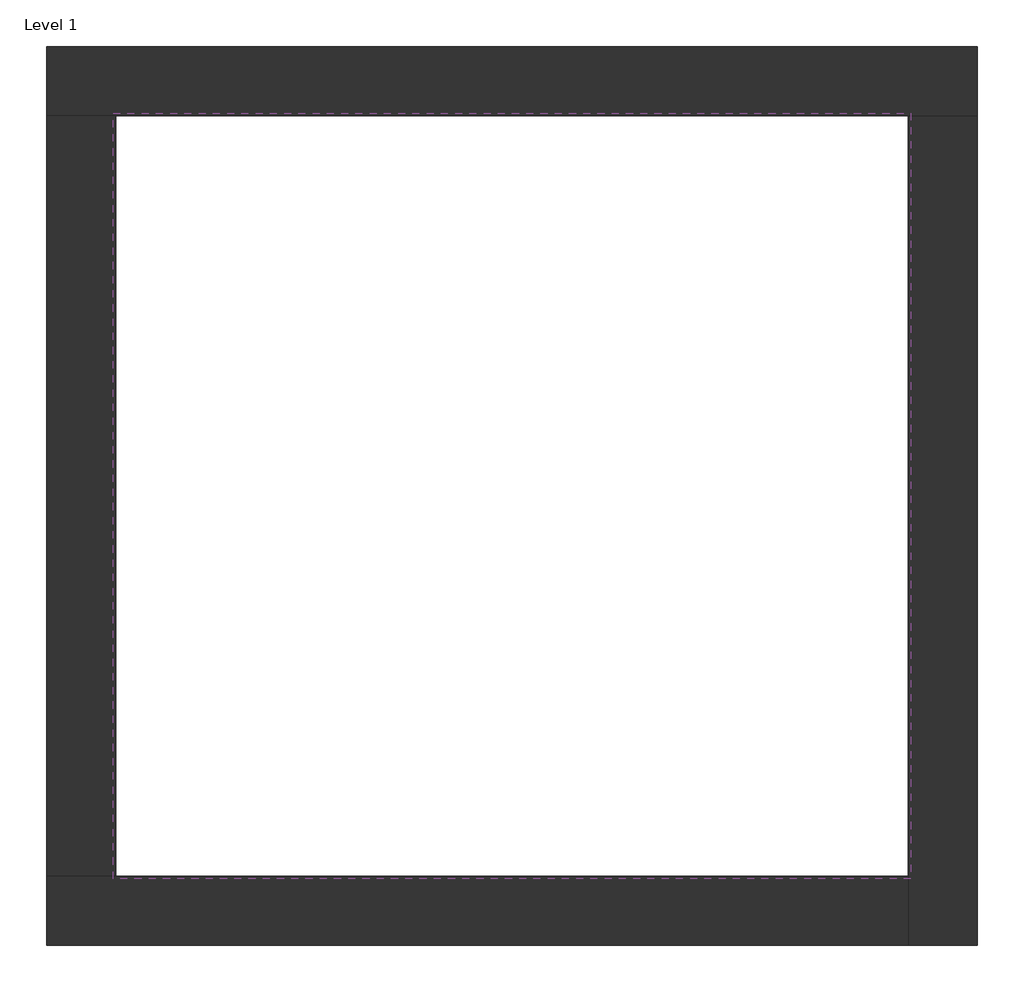
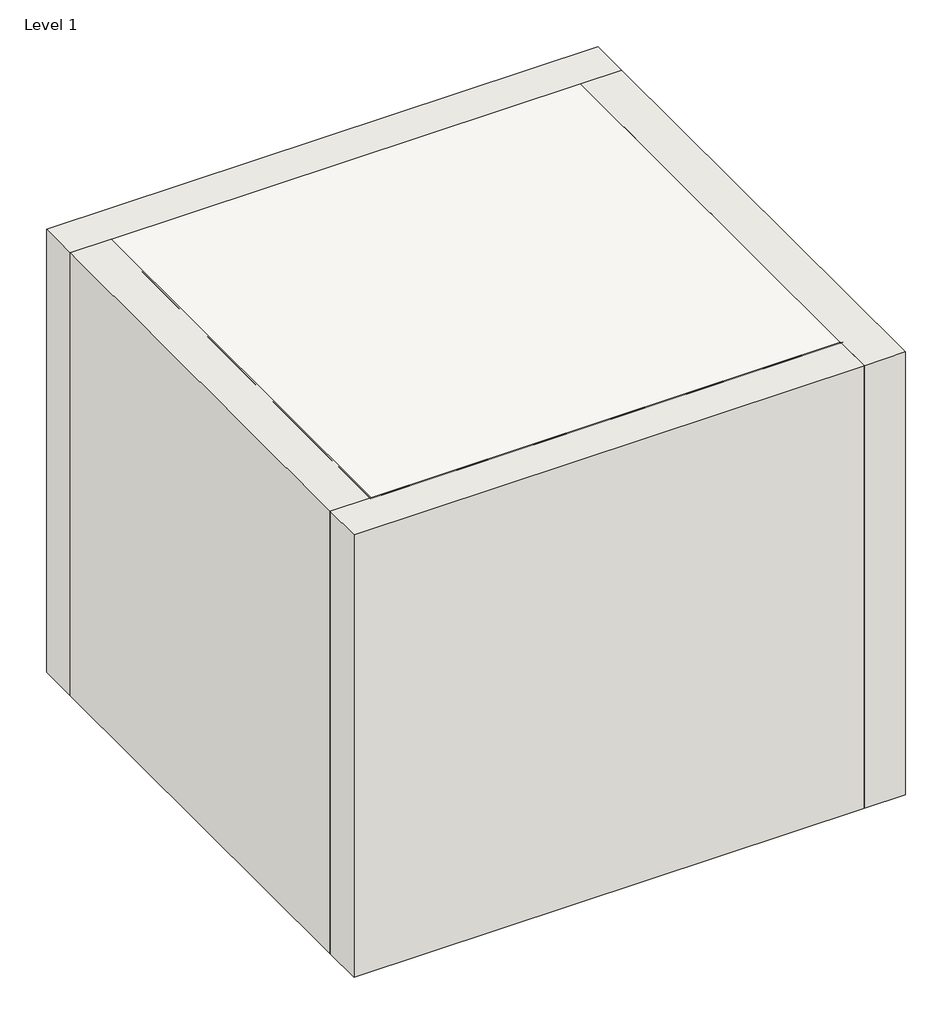
# One storey: 4 walls, 2 slabs.
"""IFC4 building model written with IfcOpenShell, lengths in millimetres."""

import ifcopenshell
import ifcopenshell.guid

model = None  # the IFC model being written
_history = None  # IfcOwnerHistory: only IFC2X3 demands one
_inside = {}  # id of a spatial element -> (the spatial element, [elements in it])
_under = {}  # id of a project, library or spatial element -> (it, [spatial elements below it])
_declared = {}  # id of a project -> (the project, [libraries it declares])
_typed = {}  # id of a type object -> (the type object, [elements of that type])
_made_of = {}  # id of a material, layer set ... -> (it, [elements and type objects made of it])


def new_model(schema):
    """Start an empty IFC model of exactly this schema.

    Asked for "IFC4X3", IfcOpenShell would pick the latest addendum, in which some entities
    have other attributes; the version numbers below select the first issue.
    IFC2X3 requires an IfcOwnerHistory on every rooted entity: one is made here for all.
    """
    global model, _history
    if schema == "IFC4X3":
        model = ifcopenshell.file(schema_version=(4, 3, 0, 0))
    else:
        model = ifcopenshell.file(schema=schema)
    _inside.clear()
    _under.clear()
    _declared.clear()
    _typed.clear()
    _made_of.clear()
    _history = None
    if model.schema == "IFC2X3":
        org = make("IfcOrganization", Name="unknown")
        user = make(
            "IfcPersonAndOrganization",
            ThePerson=make("IfcPerson", FamilyName="unknown"),
            TheOrganization=org,
        )
        app = make(
            "IfcApplication",
            ApplicationDeveloper=org,
            Version="unknown",
            ApplicationFullName="unknown",
            ApplicationIdentifier="unknown",
        )
        _history = make(
            "IfcOwnerHistory",
            OwningUser=user,
            OwningApplication=app,
            ChangeAction="ADDED",
            CreationDate=0,
        )
    return model


def make(cls, **values):
    """One entity of the class cls with the attributes given. An attribute that is None is left unset."""
    return model.create_entity(
        cls, **{name: value for name, value in values.items() if value is not None}
    )


def rooted(cls, **values):
    """An entity with a GlobalId (a new one), such as an element, a storey or a relation."""
    return make(cls, GlobalId=ifcopenshell.guid.new(), OwnerHistory=_history, **values)


def si_unit(unit_type, name, prefix=None):
    """IfcSIUnit, for example si_unit("LENGTHUNIT", "METRE", prefix="MILLI")."""
    return make("IfcSIUnit", UnitType=unit_type, Prefix=prefix, Name=name)


def assignment(units):
    """IfcUnitAssignment: the units of a project."""
    return None if units is None else make("IfcUnitAssignment", Units=units)


def point(xyz):
    """IfcCartesianPoint."""
    return None if xyz is None else make("IfcCartesianPoint", Coordinates=xyz)


def direction(xyz):
    """IfcDirection."""
    return None if xyz is None else make("IfcDirection", DirectionRatios=xyz)


def frame(location, z_axis=None, x_axis=None):
    """IfcAxis2Placement3D, a coordinate frame: its origin and axes. An axis left out is left unset."""
    return make(
        "IfcAxis2Placement3D",
        Location=point(location),
        Axis=direction(z_axis),
        RefDirection=direction(x_axis),
    )


def origin():
    """The frame at (0, 0, 0) with its axes left unset."""
    return frame((0.0, 0.0, 0.0))


def origin_with_axes():
    """The frame at (0, 0, 0) with the z axis (0, 0, 1) and the x axis (1, 0, 0) written out."""
    return frame((0.0, 0.0, 0.0), z_axis=(0.0, 0.0, 1.0), x_axis=(1.0, 0.0, 0.0))


def place(relative_to, where):
    """IfcLocalPlacement: puts the frame where relative to a parent placement (None: the world)."""
    return make(
        "IfcLocalPlacement", PlacementRelTo=relative_to, RelativePlacement=where
    )


def context(
    kind, dimensions, precision=None, world=None, true_north=None, identifier=None
):
    """IfcGeometricRepresentationContext, for example the 3D "Model" context."""
    return make(
        "IfcGeometricRepresentationContext",
        ContextIdentifier=identifier,
        ContextType=kind,
        CoordinateSpaceDimension=dimensions,
        Precision=precision,
        WorldCoordinateSystem=world,
        TrueNorth=true_north,
    )


def project(units=None, contexts=None):
    """IfcProject with its units and contexts."""
    return rooted(
        "IfcProject",
        Name="project",
        RepresentationContexts=contexts,
        UnitsInContext=assignment(units),
    )


def spatial(cls, under=None, at=None, **own):
    """A site, building, storey or space (cls), placed at a placement, below another one or the project."""
    s = rooted(cls, ObjectPlacement=at, **own)
    if under is not None:
        _under.setdefault(under.id(), (under, []))[1].append(s)
    return s


def polyline(points):
    """IfcPolyline through the points."""
    return make("IfcPolyline", Points=[point(p) for p in points])


def outline(outer, holes=None, kind="AREA"):
    """IfcArbitraryClosedProfileDef: a profile drawn as a closed curve; with holes, ...WithVoids."""
    if holes is None:
        return make("IfcArbitraryClosedProfileDef", ProfileType=kind, OuterCurve=outer)
    return make(
        "IfcArbitraryProfileDefWithVoids",
        ProfileType=kind,
        OuterCurve=outer,
        InnerCurves=holes,
    )


def extrude(swept, where, along, depth):
    """IfcExtrudedAreaSolid: the profile swept, set in the frame where, extruded along a direction by depth."""
    return make(
        "IfcExtrudedAreaSolid",
        SweptArea=swept,
        Position=where,
        ExtrudedDirection=direction(along),
        Depth=depth,
    )


def faces_of(points, faces, orient=None, outer=None):
    """IfcFace entities. A face is a list of loops; a loop is a list of indices into points, from 0.

    orient and outer hold one flag for each loop. By default every Orientation is true, the
    first loop of a face is its IfcFaceOuterBound and the others are IfcFaceBound.
    """
    made = []
    for i, loops in enumerate(faces):
        bounds = []
        for j, loop in enumerate(loops):
            is_outer = j == 0 if outer is None else outer[i][j]
            bounds.append(
                make(
                    "IfcFaceOuterBound" if is_outer else "IfcFaceBound",
                    Bound=make("IfcPolyLoop", Polygon=[points[k] for k in loop]),
                    Orientation=True if orient is None else orient[i][j],
                )
            )
        made.append(make("IfcFace", Bounds=bounds))
    return made


def faceted_brep(points, faces, orient=None, outer=None, voids=None):
    """IfcFacetedBrep: a solid bounded by flat faces; with voids (closed shells), ...WithVoids."""
    shared = [point(p) for p in points]
    hull = make("IfcClosedShell", CfsFaces=faces_of(shared, faces, orient, outer))
    if voids is None:
        return make("IfcFacetedBrep", Outer=hull)
    return make(
        "IfcFacetedBrepWithVoids",
        Outer=hull,
        Voids=[
            make(cls, CfsFaces=faces_of(shared, fs, o, b)) for cls, fs, o, b in voids
        ],
    )


def shape(context_of_items, identifier, shape_type, items):
    """IfcShapeRepresentation: the items that make up one representation, for example the "Body"."""
    return make(
        "IfcShapeRepresentation",
        ContextOfItems=context_of_items,
        RepresentationIdentifier=identifier,
        RepresentationType=shape_type,
        Items=items,
    )


def made_of(thing, what):
    """Note that an element or type object is made of a material, layer set ...; save() writes the relation."""
    if what is not None:
        _made_of.setdefault(what.id(), (what, []))[1].append(thing)
    return thing


def element(
    cls,
    number,
    at=None,
    inside=None,
    cuts=None,
    type_object=None,
    material=None,
    context=None,
    identifier="Body",
    shape_type=None,
    held_by="IfcProductDefinitionShape",
    body=None,
    shapes=None,
    **own,
):
    """One element of the class cls, such as IfcWall. Its Tag is "e" and its number.

    at: its placement. inside: the storey or other place that contains it. cuts: it is an
    opening in that element (IfcRelVoidsElement). A single representation is given by context,
    identifier, shape_type and body (its items); several are given by shapes. held_by: the class
    of the entity that holds the representations. save() writes the other relations.
    """
    e = rooted(cls, Tag="e%d" % number, ObjectPlacement=at, **own)
    if body is not None:
        shapes = [shape(context, identifier, shape_type, body)]
    if shapes is not None:
        e.Representation = make(held_by, Representations=shapes)
    if inside is not None:
        _inside.setdefault(inside.id(), (inside, []))[1].append(e)
    if cuts is not None:
        rooted(
            "IfcRelVoidsElement", RelatingBuildingElement=cuts, RelatedOpeningElement=e
        )
    if type_object is not None:
        _typed.setdefault(type_object.id(), (type_object, []))[1].append(e)
    return made_of(e, material)


def aggregate(whole, parts):
    """IfcRelAggregates: a whole, such as a stair, and the parts it consists of."""
    return rooted("IfcRelAggregates", RelatingObject=whole, RelatedObjects=parts)


def save(model, path):
    """Write the relations noted so far, then the file.

    IfcRelAggregates (storeys below a building ...), IfcRelContainedInSpatialStructure (elements
    in a storey), IfcRelDefinesByType, IfcRelAssociatesMaterial and IfcRelDeclares: one each for
    every whole, place, type object, material and project.
    """
    for whole, parts in _under.values():
        aggregate(whole, parts)
    for where, things in _inside.values():
        rooted(
            "IfcRelContainedInSpatialStructure",
            RelatedElements=things,
            RelatingStructure=where,
        )
    for kind, things in _typed.values():
        rooted("IfcRelDefinesByType", RelatedObjects=things, RelatingType=kind)
    for what, things in _made_of.values():
        rooted("IfcRelAssociatesMaterial", RelatedObjects=things, RelatingMaterial=what)
    for by, libraries in _declared.values():
        rooted("IfcRelDeclares", RelatingContext=by, RelatedDefinitions=libraries)
    model.write(path)


model = new_model("IFC4")

# Units and contexts
model_context = context("Model", 3, world=origin())
ifc_project = project(units=[si_unit("LENGTHUNIT", "METRE", prefix="MILLI")], contexts=[model_context])

# Site, building, storey
site = spatial("IfcSite", under=ifc_project)
building = spatial("IfcBuilding", under=site)
storey = spatial("IfcBuildingStorey", under=building, Name="Level 1", Elevation=0.0)

# Slabs
placement = place(None, origin())
element("IfcSlab", 1, at=placement, inside=storey, context=model_context, shape_type="SweptSolid", body=[
    extrude(outline(polyline([(-10869.3573003, 6934.2750283), (-10869.3573003, 3058.2750283), (-14907.8573003, 3058.2750283), (-14907.8573003, 6934.2750283), (-10869.3573003, 6934.2750283)])), frame((0.0, 0.0, 3893.0), z_axis=(0.0, 0.0, 1.0), x_axis=(1.0, 0.0, 0.0)), (0.0, 0.0, 1.0), 107.0),
])
element("IfcSlab", 2, at=placement, inside=storey, context=model_context, shape_type="SweptSolid", body=[
    extrude(outline(polyline([(-10869.3573003, 6934.2750283), (-10869.3573003, 3058.2750283), (-14907.8573003, 3058.2750283), (-14907.8573003, 6934.2750283), (-10869.3573003, 6934.2750283)])), frame((0.0, 0.0, 3543.0), z_axis=(0.0, 0.0, 1.0), x_axis=(1.0, 0.0, 0.0)), (0.0, 0.0, 1.0), 107.0),
])

# Walls
element("IfcWall", 3, ObjectType="Exterior - Brick on Mtl. Stud", at=placement, inside=storey, context=model_context, shape_type="Brep", body=[
    faceted_brep([(-15244.8573003, 6921.2750283, 0.0), (-14894.8573003, 6921.2750283, 0.0), (-10882.3573003, 6921.2750283, 0.0), (-10532.3573003, 6921.2750283, 0.0), (-10532.3573003, 6921.2750283, 4000.0), (-10882.3573003, 6921.2750283, 4000.0), (-14894.8573003, 6921.2750283, 4000.0), (-15244.8573003, 6921.2750283, 4000.0), (-15244.8573003, 7271.2750283, 0.0), (-15244.8573003, 7271.2750283, 4000.0), (-10532.3573003, 7271.2750283, 4000.0), (-10532.3573003, 7271.2750283, 0.0)], [[[0, 1, 2, 3, 4, 5, 6, 7]], [[8, 9, 10, 11]], [[3, 2, 1, 0, 8, 11]], [[7, 6, 5, 4, 10, 9]], [[0, 7, 9, 8]], [[4, 3, 11, 10]]]),
])
element("IfcWall", 4, ObjectType="Exterior - Brick on Mtl. Stud", at=placement, inside=storey, context=model_context, shape_type="Brep", body=[
    faceted_brep([(-10882.3573003, 6921.2750283, 0.0), (-10882.3573003, 3071.2750283, 0.0), (-10882.3573003, 2721.2750283, 0.0), (-10882.3573003, 2721.2750283, 4000.0), (-10882.3573003, 3071.2750283, 4000.0), (-10882.3573003, 6921.2750283, 4000.0), (-10532.3573003, 6921.2750283, 0.0), (-10532.3573003, 6921.2750283, 4000.0), (-10532.3573003, 2721.2750283, 4000.0), (-10532.3573003, 2721.2750283, 0.0)], [[[0, 1, 2, 3, 4, 5]], [[6, 7, 8, 9]], [[2, 1, 0, 6, 9]], [[5, 4, 3, 8, 7]], [[3, 2, 9, 8]], [[0, 5, 7, 6]]]),
])
element("IfcWall", 5, ObjectType="Exterior - Brick on Mtl. Stud", at=placement, inside=storey, context=model_context, shape_type="Brep", body=[
    faceted_brep([(-10882.3573003, 3071.2750283, 0.0), (-14894.8573003, 3071.2750283, 0.0), (-15244.8573003, 3071.2750283, 0.0), (-15244.8573003, 3071.2750283, 4000.0), (-14894.8573003, 3071.2750283, 4000.0), (-10882.3573003, 3071.2750283, 4000.0), (-10882.3573003, 2721.2750283, 0.0), (-10882.3573003, 2721.2750283, 4000.0), (-15244.8573003, 2721.2750283, 4000.0), (-15244.8573003, 2721.2750283, 0.0)], [[[0, 1, 2, 3, 4, 5]], [[6, 7, 8, 9]], [[2, 1, 0, 6, 9]], [[5, 4, 3, 8, 7]], [[3, 2, 9, 8]], [[0, 5, 7, 6]]]),
])
element("IfcWall", 6, ObjectType="Exterior - Brick on Mtl. Stud", at=placement, inside=storey, context=model_context, shape_type="SweptSolid", body=[
    extrude(outline(polyline([(-14894.8573003, 6921.2750283), (-14894.8573003, 3071.2750283), (-15244.8573003, 3071.2750283), (-15244.8573003, 6921.2750283), (-14894.8573003, 6921.2750283)])), origin_with_axes(), (0.0, 0.0, 1.0), 4000.0),
])

save(model, "model.ifc")
